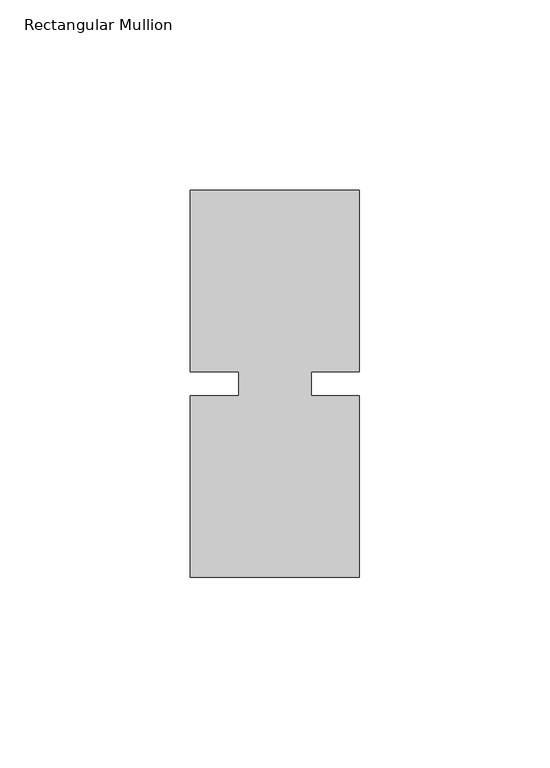
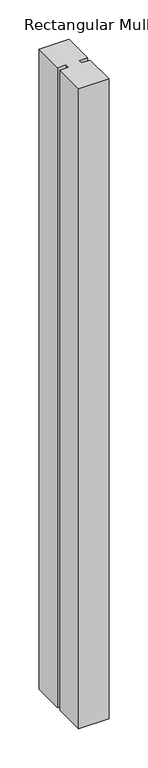
"""IFC4 building model written with IfcOpenShell, lengths in millimetres: member geometry, Rectangular Mullion."""

from ifc_helpers import new_model, si_unit, frame, origin, place, context, project, spatial, polyline, outline, extrude, source, transform, mapped, element, save


def rectangular_mullion_4f172081(model_context):
    return source(origin(), model_context, "Body", "SweptSolid", [
        extrude(outline(polyline([(26.5594027, 50.8), (26.5594027, 3.175), (13.8576322, 3.175), (13.8576322, -3.175), (26.5594027, -3.175), (26.5594027, -50.8), (-17.8905973, -50.8), (-17.8905973, -3.175), (-5.1905973, -3.175), (-5.1905973, 3.175), (-17.8905973, 3.175), (-17.8905973, 50.8), (26.5594027, 50.8)])), frame((0.0, 0.0, -998.1094027), z_axis=(0.0, 0.0, 1.0), x_axis=(1.0, 0.0, 0.0)), (0.0, 0.0, 1.0), 998.1094027),
    ])


if __name__ == "__main__":
    model = new_model("IFC4")
    model_context = context("Model", 3, world=origin())
    ifc_project = project(units=[si_unit("LENGTHUNIT", "METRE", prefix="MILLI")], contexts=[model_context])
    site = spatial("IfcSite", under=ifc_project)
    building = spatial("IfcBuilding", under=site)
    placement = place(None, origin())
    rectangular_mullion_shape = rectangular_mullion_4f172081(model_context)
    element("IfcMember", 1, ObjectType="Rectangular Mullion", at=placement, inside=building, context=model_context, shape_type="MappedRepresentation", body=[
        mapped(rectangular_mullion_shape, transform((0.0, 0.0, 0.0), x_axis=(1.0, 0.0, 0.0), y_axis=(0.0, 1.0, 0.0), z_axis=(0.0, 0.0, 1.0))),
    ])
    save(model, "model.ifc")
